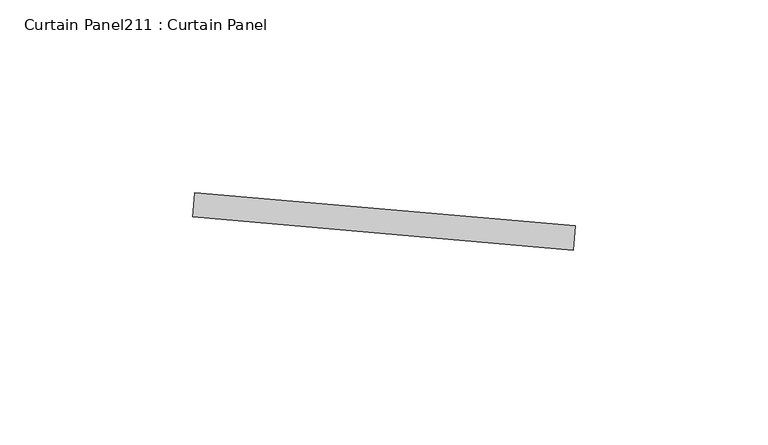
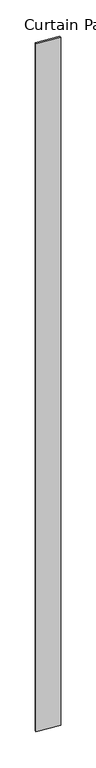
"""IFC4 building model written with IfcOpenShell, lengths in millimetres: plate geometry, Curtain Panel211 : Curtain Panel."""

from ifc_helpers import new_model, si_unit, frame, origin, place, context, project, spatial, polyline, outline, extrude, source, transform, mapped, element, save


def curtain_panel211_curtain_panel_f124c57f(model_context):
    return source(origin(), model_context, "Body", "SweptSolid", [
        extrude(outline(polyline([(618835.0862517, 2401.1788176), (618933.9545865, 2392.5289591), (618933.4011476, 2386.2031228), (618834.5328127, 2394.8529812), (618835.0862517, 2401.1788176)])), frame((0.0, 0.0, 4959.7989371), z_axis=(0.0, 0.0, 1.0), x_axis=(1.0, 0.0, 0.0)), (0.0, 0.0, 1.0), 3048.0),
    ])


if __name__ == "__main__":
    model = new_model("IFC4")
    model_context = context("Model", 3, world=origin())
    ifc_project = project(units=[si_unit("LENGTHUNIT", "METRE", prefix="MILLI")], contexts=[model_context])
    site = spatial("IfcSite", under=ifc_project)
    building = spatial("IfcBuilding", under=site)
    placement = place(None, origin())
    curtain_panel211_curtain_panel_shape = curtain_panel211_curtain_panel_f124c57f(model_context)
    element("IfcPlate", 1, ObjectType="Curtain Panel211 : Curtain Panel", at=placement, inside=building, context=model_context, shape_type="MappedRepresentation", body=[
        mapped(curtain_panel211_curtain_panel_shape, transform((0.0, 0.0, 0.0), x_axis=(1.0, 0.0, 0.0), y_axis=(0.0, 1.0, 0.0), z_axis=(0.0, 0.0, 1.0))),
    ])
    save(model, "model.ifc")
